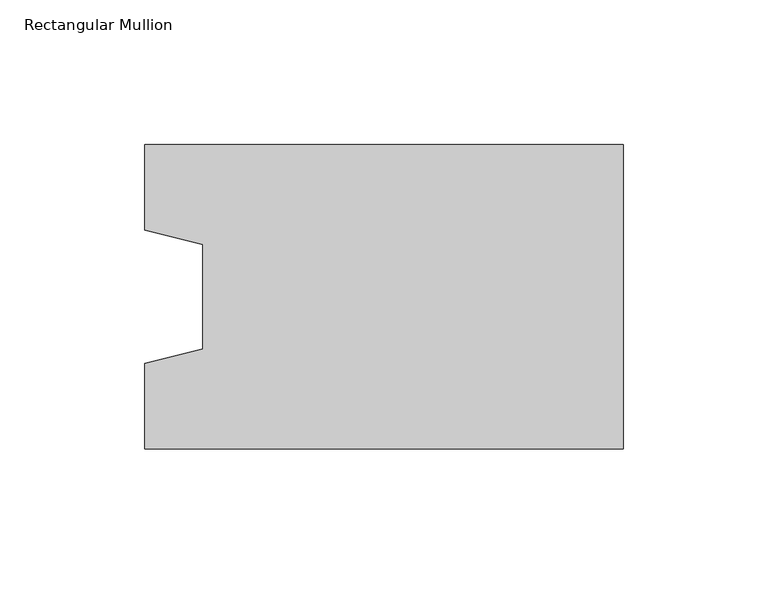
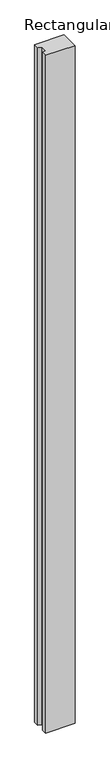
"""IFC4 building model written with IfcOpenShell, lengths in millimetres: column geometry, Rectangular Mullion."""

from ifc_helpers import new_model, si_unit, frame, origin, place, context, project, spatial, polyline, outline, extrude, source, transform, mapped, element, save


def rectangular_mullion_bd2e099d(model_context):
    return source(origin(), model_context, "Body", "SweptSolid", [
        extrude(outline(polyline([(-165.0, -52.5), (-165.0, -23.0), (-145.0, -18.0), (-145.0, 18.0), (-165.0, 23.0), (-165.0, 52.5), (0.0, 52.5), (0.0, -52.5), (-165.0, -52.5)])), frame((0.0, 0.0, -4000.0), z_axis=(0.0, 0.0, 1.0), x_axis=(1.0, 0.0, 0.0)), (0.0, 0.0, 1.0), 4000.0),
    ])


if __name__ == "__main__":
    model = new_model("IFC4")
    model_context = context("Model", 3, world=origin())
    ifc_project = project(units=[si_unit("LENGTHUNIT", "METRE", prefix="MILLI")], contexts=[model_context])
    site = spatial("IfcSite", under=ifc_project)
    building = spatial("IfcBuilding", under=site)
    placement = place(None, origin())
    rectangular_mullion_shape = rectangular_mullion_bd2e099d(model_context)
    element("IfcColumn", 1, ObjectType="Rectangular Mullion", at=placement, inside=building, context=model_context, shape_type="MappedRepresentation", body=[
        mapped(rectangular_mullion_shape, transform((0.0, 0.0, 0.0), x_axis=(1.0, 0.0, 0.0), y_axis=(0.0, 1.0, 0.0), z_axis=(0.0, 0.0, 1.0))),
    ])
    save(model, "model.ifc")
